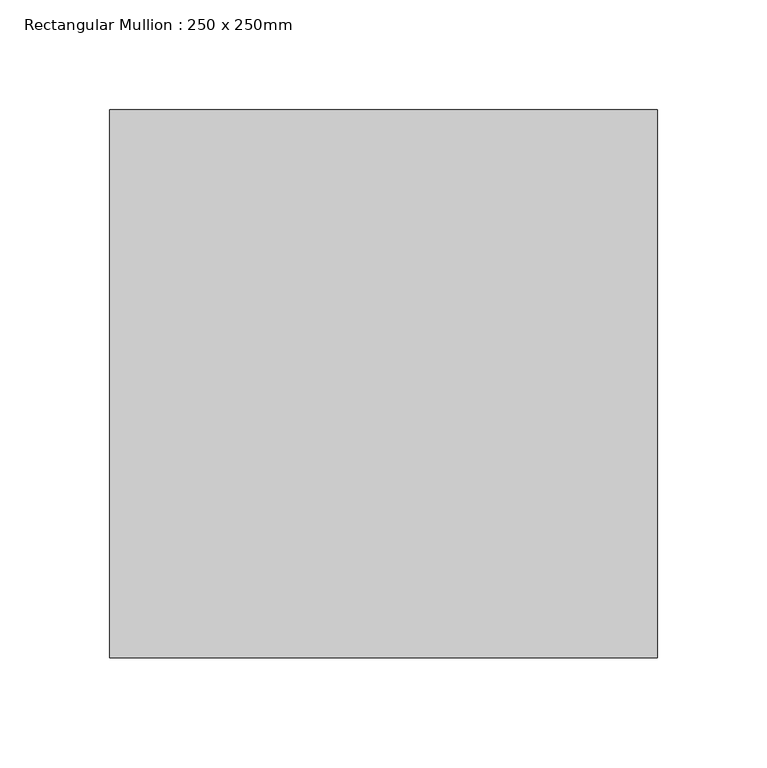
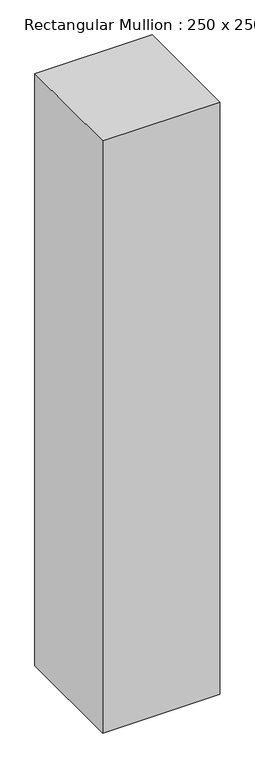
"""IFC4 building model written with IfcOpenShell, lengths in millimetres: member geometry, Rectangular Mullion : 250 x 250mm."""

from ifc_helpers import new_model, si_unit, frame, origin, place, context, project, spatial, polyline, outline, extrude, source, transform, mapped, element, save


def rectangular_mullion_250_x_250mm_4810e354(model_context):
    return source(origin(), model_context, "Body", "SweptSolid", [
        extrude(outline(polyline([(0.0, 125.0), (0.0, -125.0), (-250.0, -125.0), (-250.0, 125.0), (0.0, 125.0)])), frame((0.0, 0.0, -1336.8255223), z_axis=(0.0, 0.0, 1.0), x_axis=(1.0, 0.0, 0.0)), (0.0, 0.0, 1.0), 1336.8255223),
    ])


if __name__ == "__main__":
    model = new_model("IFC4")
    model_context = context("Model", 3, world=origin())
    ifc_project = project(units=[si_unit("LENGTHUNIT", "METRE", prefix="MILLI")], contexts=[model_context])
    site = spatial("IfcSite", under=ifc_project)
    building = spatial("IfcBuilding", under=site)
    placement = place(None, origin())
    rectangular_mullion_250_x_250mm_shape = rectangular_mullion_250_x_250mm_4810e354(model_context)
    element("IfcMember", 1, ObjectType="Rectangular Mullion : 250 x 250mm", at=placement, inside=building, context=model_context, shape_type="MappedRepresentation", body=[
        mapped(rectangular_mullion_250_x_250mm_shape, transform((0.0, 0.0, 0.0), x_axis=(1.0, 0.0, 0.0), y_axis=(0.0, 1.0, 0.0), z_axis=(0.0, 0.0, 1.0))),
    ])
    save(model, "model.ifc")
